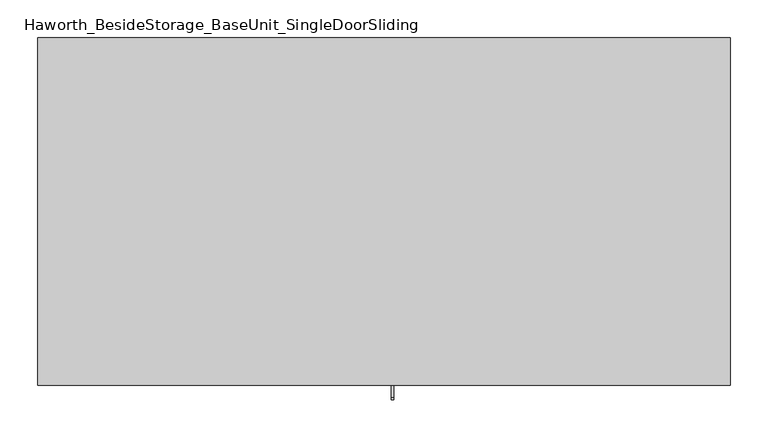
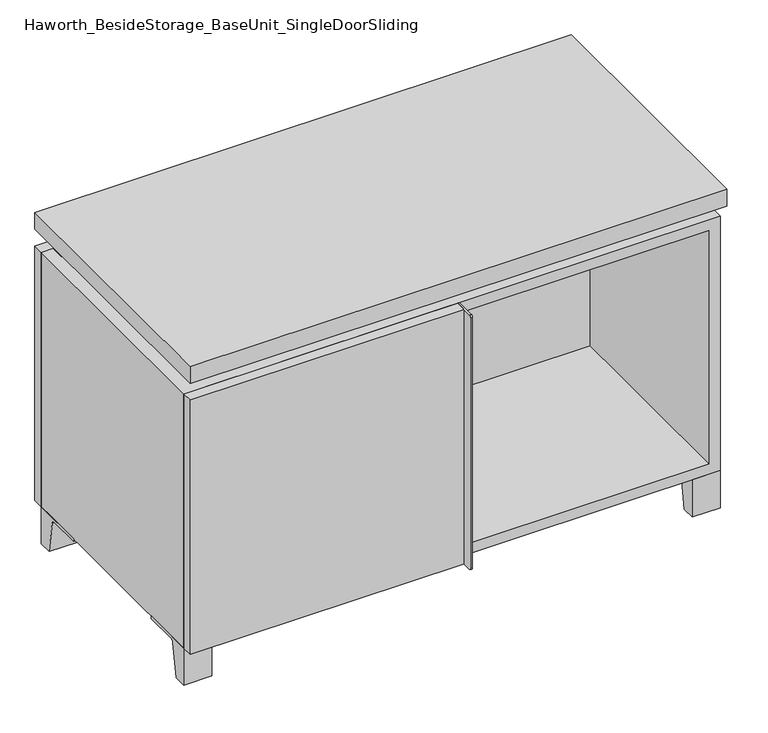
"""IFC4 building model written with IfcOpenShell, lengths in millimetres: furniture geometry, Haworth_BesideStorage_BaseUnit_SingleDoorSliding."""

from ifc_helpers import new_model, si_unit, point, frame, frame_2d, origin, place, context, project, spatial, polyline, circle_curve, trimmed, segment, composite_curve, outline, extrude, faceted_brep, source, transform, mapped, element, save


def haworth_besidestorage_baseunit_singledoorsliding_b71d15f6(model_context):
    return source(origin(), model_context, "Body", "SolidModel", [
        extrude(outline(composite_curve([segment(polyline([(-123.2958469, 0.0), (-146.05, 0.0), (-146.05, 66.675), (-50.8, 66.675), (-50.8, 61.8963321), (-107.6005345, 61.8963321)]), True, "CONTINUOUS"), segment(trimmed(circle_curve(frame_2d((-107.6005345, 55.5463321)), 6.35), [point((-107.6005345, 61.8963321))], [point((-113.8641359, 56.5902656))], True, "CARTESIAN"), True, "CONTINUOUS"), segment(polyline([(-113.8641359, 56.5902656), (-123.2958469, 0.0)]), True, "CONTINUOUS")], self_intersect=False)), frame((408.0013906, 0.0, 0.0), z_axis=(1.0, 0.0, 0.0), x_axis=(0.0, 1.0, 0.0)), (0.0, 0.0, 1.0), 47.625),
        extrude(outline(composite_curve([segment(polyline([(250.2958469, 0.0), (240.8641359, 56.5902656)]), True, "CONTINUOUS"), segment(trimmed(circle_curve(frame_2d((234.6005345, 55.5463321)), 6.35), [point((240.8641359, 56.5902656))], [point((234.6005345, 61.8963321))], True, "CARTESIAN"), True, "CONTINUOUS"), segment(polyline([(234.6005345, 61.8963321), (177.8, 61.8963321), (177.8, 66.675), (273.05, 66.675), (273.05, 0.0), (250.2958469, 0.0)]), True, "CONTINUOUS")], self_intersect=False)), frame((408.0013906, 0.0, 0.0), z_axis=(1.0, 0.0, 0.0), x_axis=(0.0, 1.0, 0.0)), (0.0, 0.0, 1.0), 47.625),
        extrude(outline(composite_curve([segment(polyline([(-123.2958469, 0.0), (-146.05, 0.0), (-146.05, 66.675), (-50.8, 66.675), (-50.8, 61.8963321), (-107.6005345, 61.8963321)]), True, "CONTINUOUS"), segment(trimmed(circle_curve(frame_2d((-107.6005345, 55.5463321)), 6.35), [point((-107.6005345, 61.8963321))], [point((-113.8641359, 56.5902656))], True, "CARTESIAN"), True, "CONTINUOUS"), segment(polyline([(-113.8641359, 56.5902656), (-123.2958469, 0.0)]), True, "CONTINUOUS")], self_intersect=False)), frame((-455.5986094, 0.0, 0.0), z_axis=(1.0, 0.0, 0.0), x_axis=(0.0, 1.0, 0.0)), (0.0, 0.0, 1.0), 47.625),
        extrude(outline(composite_curve([segment(polyline([(250.2958469, 0.0), (240.8641359, 56.5902656)]), True, "CONTINUOUS"), segment(trimmed(circle_curve(frame_2d((234.6005345, 55.5463321)), 6.35), [point((240.8641359, 56.5902656))], [point((234.6005345, 61.8963321))], True, "CARTESIAN"), True, "CONTINUOUS"), segment(polyline([(234.6005345, 61.8963321), (177.8, 61.8963321), (177.8, 66.675), (273.05, 66.675), (273.05, 0.0), (250.2958469, 0.0)]), True, "CONTINUOUS")], self_intersect=False)), frame((-455.5986094, 0.0, 0.0), z_axis=(1.0, 0.0, 0.0), x_axis=(0.0, 1.0, 0.0)), (0.0, 0.0, 1.0), 47.625),
        faceted_brep([(-455.5986094, -146.05, 66.675), (455.6125, -146.05, 66.675), (455.6125, -146.05, 523.875), (-455.5986094, -146.05, 523.875), (-436.5486094, -146.05, 85.725), (-436.5486094, -146.05, 504.825), (436.5694453, -146.05, 504.825), (436.5486094, -146.05, 85.725), (-455.5986094, 273.05, 66.675), (-455.5986094, 273.05, 523.875), (-436.5486094, 273.05, 523.875), (-436.5486094, 273.05, 85.725), (436.5486094, 273.05, 85.725), (436.5486094, 273.05, 523.875), (455.6125, 273.05, 523.875), (455.6125, 273.05, 66.675), (436.5486094, 247.65, 523.875), (-436.5416641, 247.65, 523.875), (-436.5486094, 247.65, 504.825), (436.5486094, 247.65, 504.825)], [[[0, 1, 2, 3], [4, 5, 6, 7]], [[8, 9, 10, 11, 12, 13, 14, 15]], [[1, 0, 8, 15]], [[2, 1, 15, 14]], [[3, 2, 14, 13, 16, 17, 10, 9]], [[0, 3, 9, 8]], [[11, 10, 17, 18, 5, 4]], [[13, 12, 7, 6, 19, 16]], [[4, 7, 12, 11]], [[6, 5, 18, 19]], [[17, 16, 19, 18]]]),
        extrude(outline(polyline([(455.6263906, -165.1), (-455.5986094, -165.1), (-455.5986094, 292.1), (455.6263906, 292.1), (455.6263906, -165.1)])), frame((0.0, 0.0, 554.0375), z_axis=(0.0, 0.0, 1.0), x_axis=(1.0, 0.0, 0.0)), (0.0, 0.0, 1.0), 30.1625),
        faceted_brep([(7.9513906, -69.85, 554.0375), (7.9513906, -69.85, 523.875), (7.9513906, 53.975, 523.875), (7.9513906, 53.975, 554.0375), (7.9513906, 196.85, 523.875), (7.9513906, 196.85, 554.0375), (7.9513906, 73.025, 554.0375), (7.9513906, 73.025, 523.875), (-7.9236094, 196.85, 554.0375), (-7.9236094, 196.85, 523.875), (-7.9236094, 73.025, 523.875), (-7.9236094, 73.025, 554.0375), (-7.9236094, -69.85, 523.875), (-7.9236094, -69.85, 554.0375), (-7.9236094, 53.975, 554.0375), (-7.9236094, 53.975, 523.875), (-414.2958281, 73.025, 554.0375), (-414.3166641, 247.65, 554.0375), (-430.1916641, 247.65, 554.0375), (-430.1916641, -120.65, 554.0375), (-414.3166641, -120.65, 554.0375), (-414.3166641, 53.975, 554.0375), (414.3236094, 53.975, 554.0375), (414.3236094, -120.65, 554.0375), (430.1986094, -120.65, 554.0375), (430.1986094, 247.65, 554.0375), (414.3236094, 247.65, 554.0375), (414.3236094, 73.025, 554.0375), (-414.2958281, 53.975, 523.875), (-414.3166641, -120.65, 523.875), (-430.1916641, -120.65, 523.875), (-430.1916641, 247.65, 523.875), (-414.3166641, 247.65, 523.875), (-414.3166641, 73.025, 523.875), (414.3236094, 73.025, 523.875), (414.3236094, 247.65, 523.875), (430.1986094, 247.65, 523.875), (430.1986094, -120.65, 523.875), (414.3236094, -120.65, 523.875), (414.3236094, 53.975, 523.875)], [[[0, 1, 2, 3]], [[4, 5, 6, 7]], [[8, 9, 10, 11]], [[12, 13, 14, 15]], [[5, 8, 11, 16, 17, 18, 19, 20, 21, 14, 13, 0, 3, 22, 23, 24, 25, 26, 27, 6]], [[1, 12, 15, 28, 29, 30, 31, 32, 33, 10, 9, 4, 7, 34, 35, 36, 37, 38, 39, 2]], [[5, 4, 9, 8]], [[1, 0, 13, 12]], [[6, 27, 34, 7]], [[22, 3, 2, 39]], [[20, 29, 28, 21]], [[32, 17, 16, 33]], [[18, 31, 30, 19]], [[29, 20, 19, 30]], [[17, 32, 31, 18]], [[26, 35, 34, 27]], [[38, 23, 22, 39]], [[25, 24, 37, 36]], [[23, 38, 37, 24]], [[35, 26, 25, 36]], [[16, 11, 10, 33]], [[14, 21, 28, 15]]]),
        extrude(outline(polyline([(9.5388906, 203.2), (9.5388906, -146.05), (-9.5111094, -146.05), (-9.5111094, 203.2), (9.5388906, 203.2)])), frame((0.0, 0.0, 85.725), z_axis=(0.0, 0.0, 1.0), x_axis=(1.0, 0.0, 0.0)), (0.0, 0.0, 1.0), 419.1),
        extrude(outline(polyline([(455.6263906, 273.05), (-455.5986094, 273.05), (-455.5986094, 292.1), (455.6263906, 292.1), (455.6263906, 273.05)])), frame((0.0, 0.0, 66.675), z_axis=(0.0, 0.0, 1.0), x_axis=(1.0, 0.0, 0.0)), (0.0, 0.0, 1.0), 457.2),
        extrude(outline(polyline([(-436.5416641, 203.2), (-436.5416641, 209.55), (436.5694453, 209.55), (436.5694453, 203.2), (-436.5416641, 203.2)])), frame((0.0, 0.0, 85.725), z_axis=(0.0, 0.0, 1.0), x_axis=(1.0, 0.0, 0.0)), (0.0, 0.0, 1.0), 419.1),
        extrude(outline(composite_curve([segment(polyline([(-146.05, 523.875), (-146.05, 66.675), (-180.975, 66.675)]), True, "CONTINUOUS"), segment(trimmed(circle_curve(frame_2d((-180.975, 69.85)), 3.175), [point((-180.975, 66.675))], [point((-184.15, 69.85))], False, "CARTESIAN"), True, "CONTINUOUS"), segment(polyline([(-184.15, 69.85), (-184.15, 520.7)]), True, "CONTINUOUS"), segment(trimmed(circle_curve(frame_2d((-180.975, 520.7)), 3.175), [point((-184.15, 520.7))], [point((-180.975, 523.875))], False, "CARTESIAN"), True, "CONTINUOUS"), segment(polyline([(-180.975, 523.875), (-146.05, 523.875)]), True, "CONTINUOUS")], self_intersect=False)), frame((9.5388906, 0.0, 0.0), z_axis=(1.0, 0.0, 0.0), x_axis=(0.0, 1.0, 0.0)), (0.0, 0.0, 1.0), 3.175),
        extrude(outline(polyline([(-455.5986094, -146.05), (9.5388906, -146.05), (9.5388906, -165.1), (-455.5986094, -165.1), (-455.5986094, -146.05)])), frame((0.0, 0.0, 66.675), z_axis=(0.0, 0.0, 1.0), x_axis=(1.0, 0.0, 0.0)), (0.0, 0.0, 1.0), 457.2),
    ])


if __name__ == "__main__":
    model = new_model("IFC4")
    model_context = context("Model", 3, world=origin())
    ifc_project = project(units=[si_unit("LENGTHUNIT", "METRE", prefix="MILLI")], contexts=[model_context])
    site = spatial("IfcSite", under=ifc_project)
    building = spatial("IfcBuilding", under=site)
    placement = place(None, origin())
    haworth_besidestorage_baseunit_singledoorsliding_shape = haworth_besidestorage_baseunit_singledoorsliding_b71d15f6(model_context)
    element("IfcFurniture", 1, ObjectType="Haworth_BesideStorage_BaseUnit_SingleDoorSliding", at=placement, inside=building, context=model_context, shape_type="MappedRepresentation", body=[
        mapped(haworth_besidestorage_baseunit_singledoorsliding_shape, transform((0.0, 0.0, 0.0), x_axis=(1.0, 0.0, 0.0), y_axis=(0.0, 1.0, 0.0), z_axis=(0.0, 0.0, 1.0))),
    ])
    save(model, "model.ifc")
